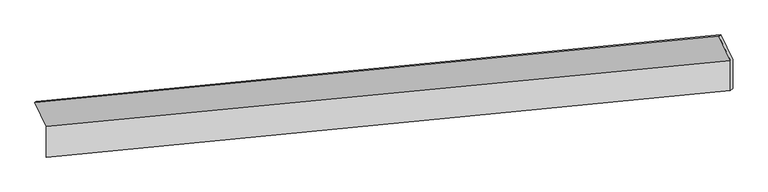
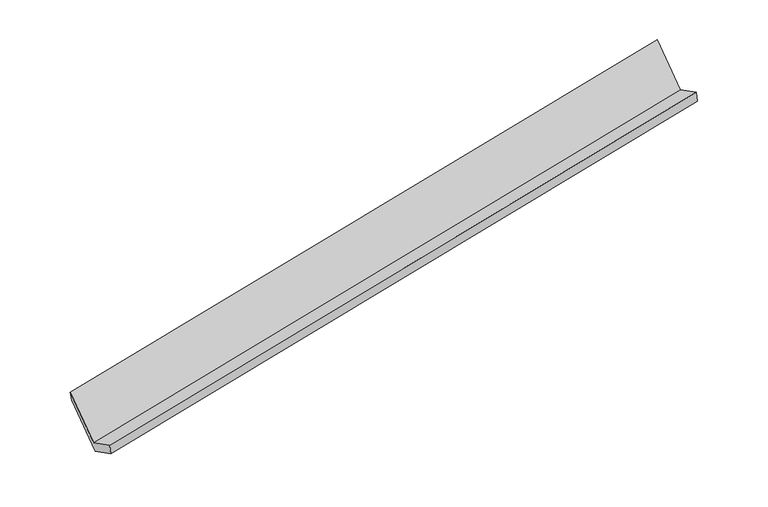
"""IFC4 building model written with IfcOpenShell, lengths in millimetres: proxy geometry."""

from ifc_helpers import new_model, si_unit, frame, origin, place, context, project, spatial, source, transform, mapped, element, save
from ifc_brep_helpers import plane_surface, spline_surface, advanced_brep


def generic_models_38a67841(model_context):
    return source(origin(), model_context, "Body", "AdvancedBrep", [
        advanced_brep(
        [(-7479.146549, -1936.3240862, 827.8799511), (-7478.9293523, -2353.9112133, 1041.4706525), (1833.7652086, -1446.3773387, 2817.2829052), (1833.5526425, -1037.6931981, 2608.2459724), (-7450.0434687, -2328.5137459, 877.653062), (1862.6510921, -1420.9798713, 2653.4653147), (-7450.2503182, -1930.8204767, 674.2378253), (1862.4442427, -1023.2866021, 2450.050078), (-7609.9602785, -1593.322167, 1334.2367725), (1702.7342824, -685.7882924, 3110.0490252), (-7635.8739277, -1605.1285533, 1475.5534258), (1676.8252638, -706.4976653, 3255.9194471)],
        [
            (0, 1),
            (1, 2),
            (2, 3),
            (3, 0),
            (1, 4),
            (4, 5),
            (5, 2),
            (4, 6),
            (6, 7),
            (7, 5),
            (6, 8),
            (8, 9),
            (9, 7),
            (8, 10),
            (10, 11),
            (11, 9),
            (10, 0),
            (3, 11),
        ],
        [
            plane_surface(frame((-7479.0379506, -2145.1176497, 934.6753018), z_axis=(-0.20939818417245348, 0.44519508065003494, 0.8706053874346794), x_axis=(0.0004630649756214892, -0.890298658140345, 0.45537686028643287))),
            plane_surface(frame((-7464.4864105, -2341.2124796, 959.5618572), z_axis=(0.12091058330300683, -0.9839512954471618, -0.13122682284189796), x_axis=(0.17166136145625363, 0.150930603361218, -0.9735257212585624))),
            plane_surface(frame((-7450.1468935, -2129.6671113, 775.9454436), z_axis=(0.2093981841724531, -0.44519508065003605, -0.8706053874346791), x_axis=(-0.00046306497565021455, 0.8902986581403417, -0.4553768602864394))),
            plane_surface(frame((-7530.1052983, -1762.0713219, 1004.2372989), z_axis=(5.0157648089868556e-05, 0.8903490998188178, -0.45527846197248495), x_axis=(-0.21061724551625116, 0.4450753368268729, 0.8703725182010247))),
            spline_surface(1, 1, [[(-7609.9602785, -1593.322167, 1334.2367725), (1702.7342824, -685.7882924, 3110.0490252)], [(-7635.8739277, -1605.1285533, 1475.5534258), (1676.8252638, -706.4976653, 3255.9194471)]], [2, 2], [2, 2], [0.0, 1.0], [0.0, 1.0]),
            plane_surface(frame((-7557.5102383, -1770.7263198, 1151.7166884), z_axis=(-0.0010766015809710039, -0.8904492468471802, 0.4550812891323105), x_axis=(0.21061724551623176, -0.4450753368268892, -0.8703725182010209))),
            plane_surface(frame((1795.3287887, -1053.4371613, 2815.8354571), z_axis=(0.9775684945117573, 0.09631325901448626, 0.18730615226421418), x_axis=(-0.17319568709956454, -0.13843728062693678, 0.9751094160671041))),
            plane_surface(frame((-7517.3673157, -1958.0033737, 1038.5052815), z_axis=(-0.9775684945117591, -0.09631325901443467, -0.187306152264231), x_axis=(-0.21061724551622324, 0.4450753368268711, 0.8703725182010322))),
        ],
        [
            (0, [[1, 2, 3, 4]]),
            (1, [[5, 6, 7, -2]]),
            (2, [[8, 9, 10, -6]]),
            (3, [[11, 12, 13, -9]]),
            (4, [[14, 15, 16, -12]]),
            (5, [[17, -4, 18, -15]]),
            (6, [[-16, -18, -3, -7, -10, -13]]),
            (7, [[-17, -14, -11, -8, -5, -1]]),
        ],
    ),
    ])


if __name__ == "__main__":
    model = new_model("IFC4")
    model_context = context("Model", 3, world=origin())
    ifc_project = project(units=[si_unit("LENGTHUNIT", "METRE", prefix="MILLI")], contexts=[model_context])
    site = spatial("IfcSite", under=ifc_project)
    building = spatial("IfcBuilding", under=site)
    placement = place(None, origin())
    generic_models_shape = generic_models_38a67841(model_context)
    element("IfcBuildingElementProxy", 1, Name="Generic Models", at=placement, inside=building, context=model_context, shape_type="MappedRepresentation", body=[
        mapped(generic_models_shape, transform((0.0, 0.0, 0.0), x_axis=(1.0, 0.0, 0.0), y_axis=(0.0, 1.0, 0.0), z_axis=(0.0, 0.0, 1.0))),
    ])
    save(model, "model.ifc")
